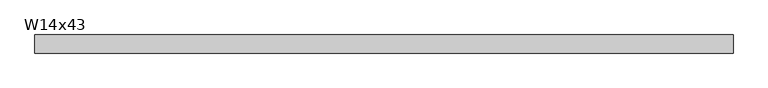
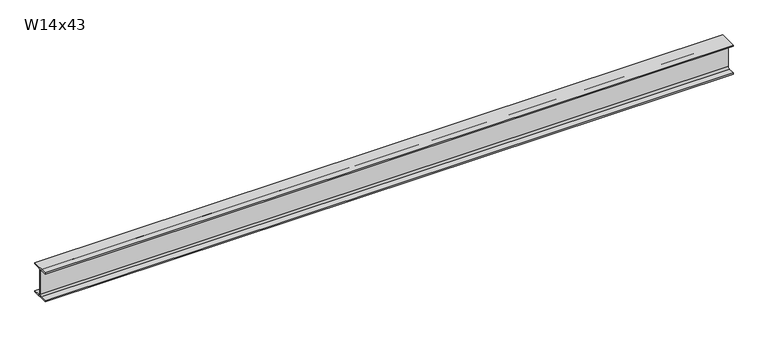
"""IFC4 building model written with IfcOpenShell, lengths in millimetres: beam geometry, W14x43."""

from ifc_helpers import new_model, si_unit, point, frame, frame_2d, origin, place, context, project, spatial, polyline, circle_curve, trimmed, segment, composite_curve, outline, extrude, source, transform, mapped, element, save


def w14x43_b5c04aac(model_context):
    return source(origin(), model_context, "Body", "SweptSolid", [
        extrude(outline(composite_curve([segment(polyline([(101.6, -160.528), (101.6, -173.99), (-101.6, -173.99), (-101.6, -160.528), (-25.3365, -160.528)]), True, "CONTINUOUS"), segment(trimmed(circle_curve(frame_2d((-25.3365, -139.065)), 21.463), [point((-25.3365, -160.528))], [point((-3.8735, -139.065))], True, "CARTESIAN"), True, "CONTINUOUS"), segment(polyline([(-3.8735, -139.065), (-3.8735, 139.065)]), True, "CONTINUOUS"), segment(trimmed(circle_curve(frame_2d((-25.3365, 139.065)), 21.463), [point((-3.8735, 139.065))], [point((-25.3365, 160.528))], True, "CARTESIAN"), True, "CONTINUOUS"), segment(polyline([(-25.3365, 160.528), (-101.6, 160.528), (-101.6, 173.99), (101.6, 173.99), (101.6, 160.528), (25.3365, 160.528)]), True, "CONTINUOUS"), segment(trimmed(circle_curve(frame_2d((25.3365, 139.065)), 21.463), [point((25.3365, 160.528))], [point((3.8735, 139.065))], True, "CARTESIAN"), True, "CONTINUOUS"), segment(polyline([(3.8735, 139.065), (3.8735, -139.065)]), True, "CONTINUOUS"), segment(trimmed(circle_curve(frame_2d((25.3365, -139.065)), 21.463), [point((3.8735, -139.065))], [point((25.3365, -160.528))], True, "CARTESIAN"), True, "CONTINUOUS"), segment(polyline([(25.3365, -160.528), (101.6, -160.528)]), True, "CONTINUOUS")], self_intersect=False)), frame((-3860.2121139, 0.0, 0.0), z_axis=(1.0, 0.0, 0.0), x_axis=(0.0, 1.0, 0.0)), (0.0, 0.0, 1.0), 7822.6124172),
    ])


if __name__ == "__main__":
    model = new_model("IFC4")
    model_context = context("Model", 3, world=origin())
    ifc_project = project(units=[si_unit("LENGTHUNIT", "METRE", prefix="MILLI")], contexts=[model_context])
    site = spatial("IfcSite", under=ifc_project)
    building = spatial("IfcBuilding", under=site)
    placement = place(None, origin())
    w14x43_shape = w14x43_b5c04aac(model_context)
    element("IfcBeam", 1, ObjectType="W14x43", at=placement, inside=building, context=model_context, shape_type="MappedRepresentation", body=[
        mapped(w14x43_shape, transform((0.0, 0.0, 0.0), x_axis=(1.0, 0.0, 0.0), y_axis=(0.0, 1.0, 0.0), z_axis=(0.0, 0.0, 1.0))),
    ])
    save(model, "model.ifc")
